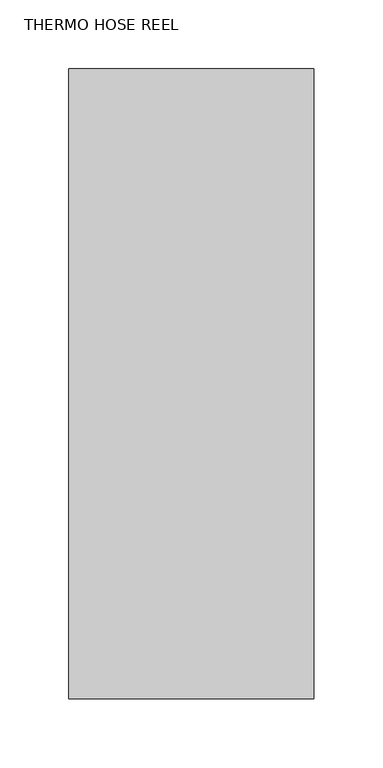
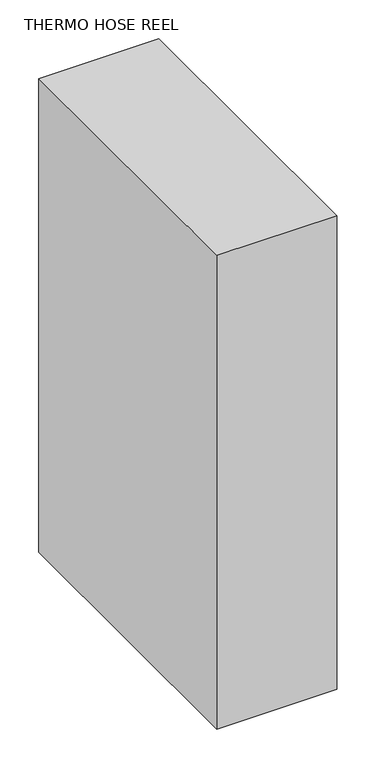
"""IFC4 building model written with IfcOpenShell, lengths in millimetres: proxy geometry, THERMO HOSE REEL."""

from ifc_helpers import new_model, si_unit, frame, origin, place, context, project, spatial, polyline, outline, extrude, source, transform, mapped, element, save


def thermo_hose_reel_25467ec4(model_context):
    return source(origin(), model_context, "Body", "SweptSolid", [
        extrude(outline(polyline([(687.0225069, -547.6748), (687.0225069, -90.4748), (864.8225069, -90.4748), (864.8225069, -547.6748), (687.0225069, -547.6748)])), frame((0.0, 0.0, 642.0032062), z_axis=(0.0, 0.0, 1.0), x_axis=(1.0, 0.0, 0.0)), (0.0, 0.0, 1.0), 742.9800594),
    ])


if __name__ == "__main__":
    model = new_model("IFC4")
    model_context = context("Model", 3, world=origin())
    ifc_project = project(units=[si_unit("LENGTHUNIT", "METRE", prefix="MILLI")], contexts=[model_context])
    site = spatial("IfcSite", under=ifc_project)
    building = spatial("IfcBuilding", under=site)
    placement = place(None, origin())
    thermo_hose_reel_shape = thermo_hose_reel_25467ec4(model_context)
    element("IfcBuildingElementProxy", 1, Name="THERMO HOSE REEL", ObjectType="THERMO HOSE REEL", at=placement, inside=building, context=model_context, shape_type="MappedRepresentation", body=[
        mapped(thermo_hose_reel_shape, transform((0.0, 0.0, 0.0), x_axis=(1.0, 0.0, 0.0), y_axis=(0.0, 1.0, 0.0), z_axis=(0.0, 0.0, 1.0))),
    ])
    save(model, "model.ifc")
